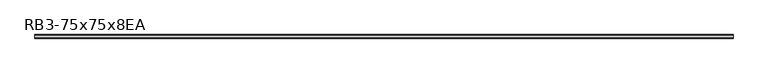
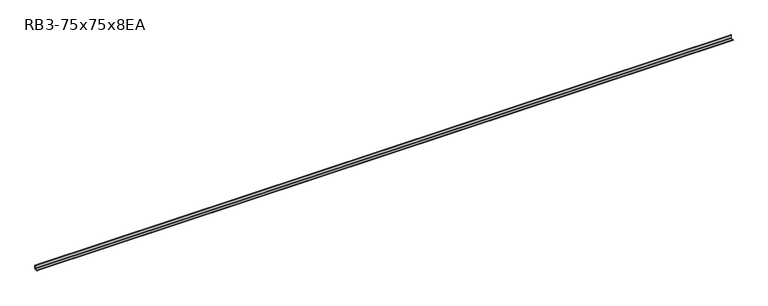
"""IFC4 building model written with IfcOpenShell, lengths in millimetres: member geometry, RB3-75x75x8EA."""

from ifc_helpers import new_model, si_unit, point, frame, frame_2d, origin, place, context, project, spatial, polyline, circle_curve, trimmed, segment, composite_curve, outline, extrude, source, transform, mapped, element, save


def rb3_75x75x8ea_e4483e0b(model_context):
    return source(origin(), model_context, "Body", "SweptSolid", [
        extrude(outline(composite_curve([segment(polyline([(21.3, -21.3), (-53.7, -21.3), (-53.7, -18.3)]), True, "CONTINUOUS"), segment(trimmed(circle_curve(frame_2d((-48.7, -18.3)), 5.0), [point((-53.7, -18.3))], [point((-48.7, -13.3))], False, "CARTESIAN"), True, "CONTINUOUS"), segment(polyline([(-48.7, -13.3), (5.3, -13.3)]), True, "CONTINUOUS"), segment(trimmed(circle_curve(frame_2d((5.3, -5.3)), 8.0), [point((5.3, -13.3))], [point((13.3, -5.3))], True, "CARTESIAN"), True, "CONTINUOUS"), segment(polyline([(13.3, -5.3), (13.3, 48.7)]), True, "CONTINUOUS"), segment(trimmed(circle_curve(frame_2d((18.3, 48.7)), 5.0), [point((13.3, 48.7))], [point((18.3, 53.7))], False, "CARTESIAN"), True, "CONTINUOUS"), segment(polyline([(18.3, 53.7), (21.3, 53.7), (21.3, -21.3)]), True, "CONTINUOUS")], self_intersect=False)), frame((-7188.0, 0.0, 0.0), z_axis=(1.0, 0.0, 0.0), x_axis=(0.0, 1.0, 0.0)), (0.0, 0.0, 1.0), 14563.0),
    ])


if __name__ == "__main__":
    model = new_model("IFC4")
    model_context = context("Model", 3, world=origin())
    ifc_project = project(units=[si_unit("LENGTHUNIT", "METRE", prefix="MILLI")], contexts=[model_context])
    site = spatial("IfcSite", under=ifc_project)
    building = spatial("IfcBuilding", under=site)
    placement = place(None, origin())
    rb3_75x75x8ea_shape = rb3_75x75x8ea_e4483e0b(model_context)
    element("IfcMember", 1, ObjectType="RB3-75x75x8EA", at=placement, inside=building, context=model_context, shape_type="MappedRepresentation", body=[
        mapped(rb3_75x75x8ea_shape, transform((0.0, 0.0, 0.0), x_axis=(1.0, 0.0, 0.0), y_axis=(0.0, 1.0, 0.0), z_axis=(0.0, 0.0, 1.0))),
    ])
    save(model, "model.ifc")
